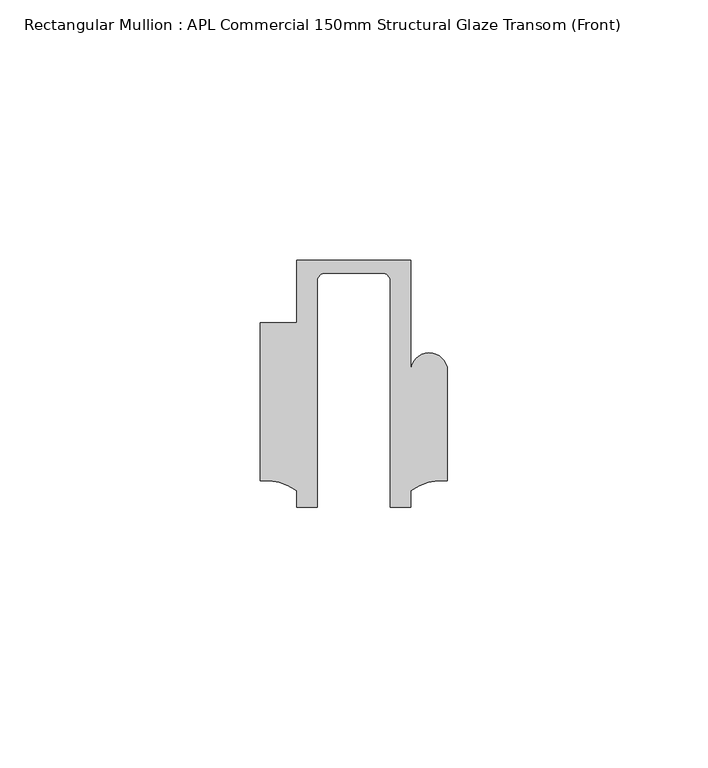
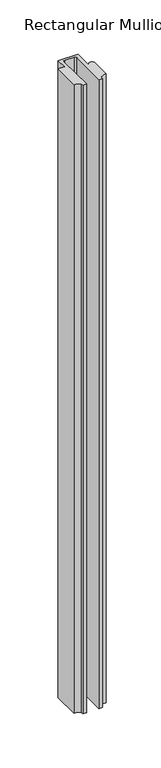
"""IFC4 building model written with IfcOpenShell, lengths in millimetres: member geometry, Rectangular Mullion : APL Commercial 150mm Structural Glaze Transom (Front)."""

from ifc_helpers import new_model, si_unit, frame, origin, place, context, project, spatial, polyline, circle_curve, source, transform, mapped, element, save
from ifc_brep_helpers import plane_surface, cylinder_surface, revolved_surface, advanced_brep


def rectangular_mullion_apl_commercial_150mm_structural_glaze_4e042826(model_context):
    return source(origin(), model_context, "Body", "AdvancedBrep", [
        advanced_brep(
        [(-11.0000151, 27.0, 0.0), (-11.0000151, 15.0006281, 0.0), (-17.9999542, 15.0006281, 0.0), (-17.9999542, -15.3797475, 0.0), (-10.9999994, -17.3125325, 0.0), (-10.9999994, -20.5, 0.0), (-6.9999853, -20.5, 0.0), (-6.9999853, 22.9976091, 0.0), (-5.4999873, 24.5, 0.0), (5.4999872, 24.5, 0.0), (6.9999849, 22.9973451, 0.0), (6.9999849, -20.5, 0.0), (11.0000151, -20.5, 0.0), (11.0000151, -17.3125212, 0.0), (17.9999542, -15.3797475, 0.0), (17.9999542, 5.684606, 0.0), (11.001071, 5.5848769, 0.0), (11.001071, 27.0, 0.0), (-11.0000151, 27.0, -738.0468629), (11.001071, 27.0, -738.0468629), (11.001071, 5.5848769, -738.0468629), (17.9999091, 5.6750512, -738.0468629), (17.9999542, -15.3797475, -738.0468629), (11.0000151, -17.3125212, -738.0468629), (11.0000151, -20.5, -738.0468629), (6.9999849, -20.5, -738.0468629), (6.9999849, 22.9973451, -738.0468629), (5.4999872, 24.5, -738.0468629), (-5.4999873, 24.5, -738.0468629), (-6.9999853, 22.9976091, -738.0468629), (-6.9999853, -20.5, -738.0468629), (-10.9999994, -20.5, -738.0468629), (-10.9999994, -17.3125325, -738.0468629), (-17.9999542, -15.3797475, -738.0468629), (-17.9999542, 15.0006281, -738.0468629), (-11.0000151, 15.0006281, -738.0468629)],
        [
            (0, 1),
            (1, 2),
            (2, 3),
            (3, 4, circle_curve(frame((-17.109817, -25.7981812, 0.0), z_axis=(0.0, 0.0, -1.0), x_axis=(0.0, 1.0, 0.0)), 10.4563907)),
            (4, 5),
            (5, 6),
            (6, 7),
            (7, 8, circle_curve(frame((-5.4999873, 23.0, 0.0), z_axis=(0.0, 0.0, -1.0), x_axis=(2.7320010112268853e-08, 0.9999999999999997, 0.0)), 1.5)),
            (8, 9),
            (9, 10, circle_curve(frame((5.4999872, 23.0, 0.0), z_axis=(0.0, 0.0, -1.0), x_axis=(0.9999999999999986, -5.463622857820516e-08, 0.0)), 1.5)),
            (10, 11),
            (11, 12),
            (12, 13),
            (13, 14, circle_curve(frame((17.109817, -25.7981812, 0.0), z_axis=(0.0, 0.0, -1.0), x_axis=(0.0, 1.0, 0.0)), 10.4563907)),
            (14, 15),
            (15, 16, circle_curve(frame((14.4999091, 5.6750512, 0.0), z_axis=(0.0, 0.0, 1.0), x_axis=(-0.9999826028573957, -0.005898642432633649, 0.0)), 3.5)),
            (16, 17),
            (17, 0),
            (18, 19),
            (19, 20),
            (20, 21, circle_curve(frame((14.4999091, 5.6750512, -738.0468629), z_axis=(0.0, 0.0, -1.0), x_axis=(-0.9999826028573957, -0.005898642432633649, 0.0)), 3.5)),
            (21, 22),
            (22, 23, circle_curve(frame((17.109817, -25.7981812, -738.0468629), z_axis=(0.0, 0.0, 1.0), x_axis=(0.0, 1.0, 0.0)), 10.4563907)),
            (23, 24),
            (24, 25),
            (25, 26),
            (26, 27, circle_curve(frame((5.4999872, 23.0, -738.0468629), z_axis=(0.0, 0.0, 1.0), x_axis=(0.9999999999999986, -5.463622857820516e-08, 0.0)), 1.5)),
            (27, 28),
            (28, 29, circle_curve(frame((-5.4999873, 23.0, -738.0468629), z_axis=(0.0, 0.0, 1.0), x_axis=(2.7320010112268853e-08, 0.9999999999999997, 0.0)), 1.5)),
            (29, 30),
            (30, 31),
            (31, 32),
            (32, 33, circle_curve(frame((-17.109817, -25.7981812, -738.0468629), z_axis=(0.0, 0.0, 1.0), x_axis=(0.0, 1.0, 0.0)), 10.4563907)),
            (33, 34),
            (34, 35),
            (35, 18),
            (0, 18),
            (35, 1),
            (34, 2),
            (33, 3),
            (32, 4),
            (31, 5),
            (30, 6),
            (29, 7),
            (28, 8),
            (27, 9),
            (26, 10),
            (25, 11),
            (24, 12),
            (23, 13),
            (22, 14),
            (21, 15),
            (20, 16),
            (19, 17),
        ],
        [
            plane_surface(frame((0.0, -29.1551636, 0.0), z_axis=(0.0, 0.0, 1.0), x_axis=(-1.0, 0.0, 0.0))),
            plane_surface(frame((0.0, -29.1551636, -738.0468629), z_axis=(0.0, 0.0, -1.0), x_axis=(-1.0, 0.0, 0.0))),
            plane_surface(frame((-11.0000151, 27.0, 0.0), z_axis=(-1.0, 0.0, 0.0), x_axis=(0.0, 0.0, -1.0))),
            plane_surface(frame((-11.0000151, 15.0006281, 0.0), z_axis=(0.0, 1.0, 0.0), x_axis=(0.0, 0.0, -1.0))),
            plane_surface(frame((-17.9999542, 15.0006281, 0.0), z_axis=(-1.0, 0.0, 0.0), x_axis=(0.0, 0.0, -1.0))),
            revolved_surface(polyline([(-17.109817, -15.341790499999998, -738.0468629), (-17.109817, -15.341790499999998, 0.0)]), (-17.109817, -25.7981812, 0.0), (0.0, 0.0, -1.0)),
            plane_surface(frame((-10.9999994, -17.3125325, 0.0), z_axis=(-1.0, 0.0, 0.0), x_axis=(0.0, 0.0, -1.0))),
            plane_surface(frame((-10.9999994, -20.5, 0.0), z_axis=(0.0, -1.0, 0.0), x_axis=(0.0, 0.0, -1.0))),
            plane_surface(frame((-6.9999853, -20.5, 0.0), z_axis=(1.0, 0.0, 0.0), x_axis=(0.0, 0.0, -1.0))),
            revolved_surface(polyline([(-5.499987259019985, 24.5, -738.0468629), (-5.499987259019985, 24.5, 0.0)]), (-5.4999873, 23.0, 0.0), (0.0, 0.0, -1.0)),
            plane_surface(frame((-5.4999873, 24.5, 0.0), z_axis=(0.0, -1.0, 0.0), x_axis=(0.0, 0.0, -1.0))),
            revolved_surface(polyline([(6.999987199999998, 22.999999918045656, -738.0468629), (6.999987199999998, 22.999999918045656, 0.0)]), (5.4999872, 23.0, 0.0), (0.0, 0.0, -1.0)),
            plane_surface(frame((6.9999849, 22.9973451, 0.0), z_axis=(-1.0, 0.0, 0.0), x_axis=(0.0, 0.0, -1.0))),
            plane_surface(frame((6.9999849, -20.5, 0.0), z_axis=(0.0, -1.0, 0.0), x_axis=(0.0, 0.0, -1.0))),
            plane_surface(frame((11.0000151, -20.5, 0.0), z_axis=(1.0, 0.0, 0.0), x_axis=(0.0, 0.0, -1.0))),
            revolved_surface(polyline([(17.109817, -15.341790499999998, -738.0468629), (17.109817, -15.341790499999998, 0.0)]), (17.109817, -25.7981812, 0.0), (0.0, 0.0, -1.0)),
            plane_surface(frame((17.9999542, -15.3797475, 0.0), z_axis=(1.0, 0.0, 0.0), x_axis=(0.0, 0.0, -1.0))),
            cylinder_surface(frame((14.4999091, 5.6750512, 0.0), z_axis=(0.0, 0.0, 1.0), x_axis=(-0.9999826028573957, -0.005898642432633649, 0.0)), 3.5),
            plane_surface(frame((11.001071, 5.5848769, 0.0), z_axis=(1.0, 0.0, 0.0), x_axis=(0.0, 0.0, -1.0))),
            plane_surface(frame((11.001071, 27.0, 0.0), z_axis=(0.0, 1.0, 0.0), x_axis=(0.0, 0.0, -1.0))),
        ],
        [
            (0, [[1, 2, 3, 4, 5, 6, 7, 8, 9, 10, 11, 12, 13, 14, 15, 16, 17, 18]]),
            (1, [[19, 20, 21, 22, 23, 24, 25, 26, 27, 28, 29, 30, 31, 32, 33, 34, 35, 36]]),
            (2, [[-1, 37, -36, 38]]),
            (3, [[-2, -38, -35, 39]]),
            (4, [[-3, -39, -34, 40]]),
            (5, [[-4, -40, -33, 41]]),
            (6, [[-5, -41, -32, 42]]),
            (7, [[-6, -42, -31, 43]]),
            (8, [[-7, -43, -30, 44]]),
            (9, [[-8, -44, -29, 45]]),
            (10, [[-9, -45, -28, 46]]),
            (11, [[-10, -46, -27, 47]]),
            (12, [[-11, -47, -26, 48]]),
            (13, [[-12, -48, -25, 49]]),
            (14, [[-13, -49, -24, 50]]),
            (15, [[-14, -50, -23, 51]]),
            (16, [[-15, -51, -22, 52]]),
            (17, [[-16, -52, -21, 53]]),
            (18, [[-17, -53, -20, 54]]),
            (19, [[-18, -54, -19, -37]]),
        ],
    ),
    ])


if __name__ == "__main__":
    model = new_model("IFC4")
    model_context = context("Model", 3, world=origin())
    ifc_project = project(units=[si_unit("LENGTHUNIT", "METRE", prefix="MILLI")], contexts=[model_context])
    site = spatial("IfcSite", under=ifc_project)
    building = spatial("IfcBuilding", under=site)
    placement = place(None, origin())
    rectangular_mullion_apl_commercial_150mm_structural_glaze_shape = rectangular_mullion_apl_commercial_150mm_structural_glaze_4e042826(model_context)
    element("IfcMember", 1, ObjectType="Rectangular Mullion : APL Commercial 150mm Structural Glaze Transom (Front)", at=placement, inside=building, context=model_context, shape_type="MappedRepresentation", body=[
        mapped(rectangular_mullion_apl_commercial_150mm_structural_glaze_shape, transform((0.0, 0.0, 0.0), x_axis=(1.0, 0.0, 0.0), y_axis=(0.0, 1.0, 0.0), z_axis=(0.0, 0.0, 1.0))),
    ])
    save(model, "model.ifc")
